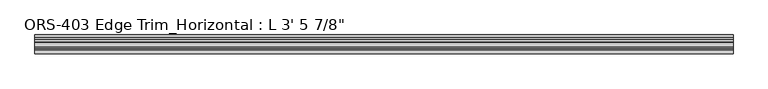
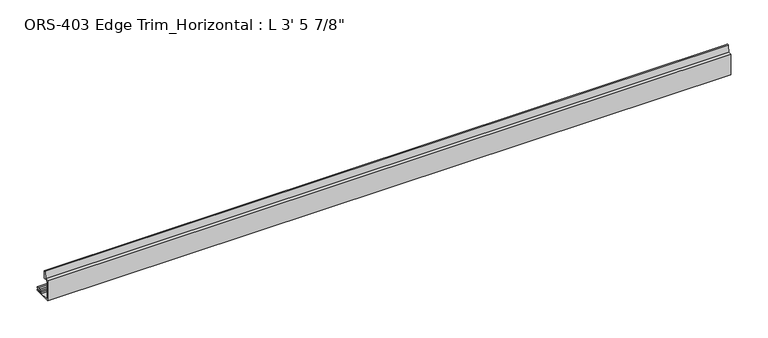
"""IFC4 building model written with IfcOpenShell, lengths in millimetres: proxy geometry."""

from ifc_helpers import new_model, si_unit, point, frame, frame_2d, origin, place, context, project, spatial, polyline, circle_curve, trimmed, segment, composite_curve, outline, extrude, source, transform, mapped, element, save


def proxy_2f0bf9cf(model_context):
    return source(origin(), model_context, "Body", "SweptSolid", [
        extrude(outline(composite_curve([segment(polyline([(-19.6849659, 33.4151698), (-14.292309, 33.4151698), (-12.4813352, 43.9912567)]), True, "CONTINUOUS"), segment(trimmed(circle_curve(frame_2d((-11.3526424, 42.8344152)), 1.6162393), [point((-12.4813352, 43.9912567))], [point((-10.1599659, 43.9251729))], False, "CARTESIAN"), True, "CONTINUOUS"), segment(polyline([(-10.1599659, 43.9251729), (-10.1599659, 31.8403698), (-16.8401659, 31.8403698)]), True, "CONTINUOUS"), segment(trimmed(circle_curve(frame_2d((-16.8401659, 30.5703698)), 1.27), [point((-16.8401659, 31.8403698))], [point((-18.1101659, 30.5703698))], True, "CARTESIAN"), True, "CONTINUOUS"), segment(polyline([(-18.1101659, 30.5703698), (-18.1101659, 26.9486086), (-18.5286393, 26.1600648), (-18.5286393, 25.3762055), (-18.1101659, 24.5876618), (-18.1101659, 3.1623)]), True, "CONTINUOUS"), segment(trimmed(circle_curve(frame_2d((-16.5226659, 3.1623)), 1.5875), [point((-18.1101659, 3.1623))], [point((-16.5226659, 1.5748))], True, "CARTESIAN"), True, "CONTINUOUS"), segment(polyline([(-16.5226659, 1.5748), (-2.8574659, 1.5748)]), True, "CONTINUOUS"), segment(trimmed(circle_curve(frame_2d((-2.8574659, 3.1623)), 1.5875), [point((-2.8574659, 1.5748))], [point((-1.2699659, 3.1623))], True, "CARTESIAN"), True, "CONTINUOUS"), segment(polyline([(-1.2699659, 3.1623), (-1.2699659, 5.6896), (1.9177341, 5.6896)]), True, "CONTINUOUS"), segment(trimmed(circle_curve(frame_2d((3.4925341, 5.6896)), 1.5748), [point((1.9177341, 5.6896))], [point((5.0673341, 5.6896))], False, "CARTESIAN"), True, "CONTINUOUS"), segment(polyline([(5.0673341, 5.6896), (8.8900341, 5.6896), (8.8900341, 4.0500705), (7.4768015, 4.0500705), (6.695594, 4.3039002), (5.9143865, 4.0500705), (5.133179, 4.3039002), (4.3519716, 4.0500705), (3.5707641, 4.3039002), (2.7895566, 4.0500705), (2.0083491, 4.3039002), (1.2271416, 4.0500705), (0.4459342, 4.3039002), (0.4459342, 1.3857004), (1.2271416, 1.6395301), (2.0083491, 1.3857004), (2.7895566, 1.6395301), (3.5707641, 1.3857004), (4.3519716, 1.6395301), (5.133179, 1.3857004), (5.9143865, 1.6395301), (6.695594, 1.3857004), (7.4768015, 1.6395301), (8.8900341, 1.6395301), (8.8900341, 0.0), (-19.6849659, 0.0), (-19.6849659, 33.4151698)]), True, "CONTINUOUS")], self_intersect=False)), frame((0.0, 0.0, 0.0), z_axis=(1.0, 0.0, 0.0), x_axis=(0.0, 1.0, 0.0)), (0.0, 0.0, 1.0), 1063.625),
    ])


if __name__ == "__main__":
    model = new_model("IFC4")
    model_context = context("Model", 3, world=origin())
    ifc_project = project(units=[si_unit("LENGTHUNIT", "METRE", prefix="MILLI")], contexts=[model_context])
    site = spatial("IfcSite", under=ifc_project)
    building = spatial("IfcBuilding", under=site)
    placement = place(None, origin())
    proxy_shape = proxy_2f0bf9cf(model_context)
    element("IfcBuildingElementProxy", 1, Name="ORS-403 Edge Trim_Horizontal : L 3' 5 7/8\"", ObjectType="ORS-403 Edge Trim_Horizontal : L 3' 5 7/8\"", at=placement, inside=building, context=model_context, shape_type="MappedRepresentation", body=[
        mapped(proxy_shape, transform((0.0, 0.0, 0.0), x_axis=(1.0, 0.0, 0.0), y_axis=(0.0, 1.0, 0.0), z_axis=(0.0, 0.0, 1.0))),
    ])
    save(model, "model.ifc")
